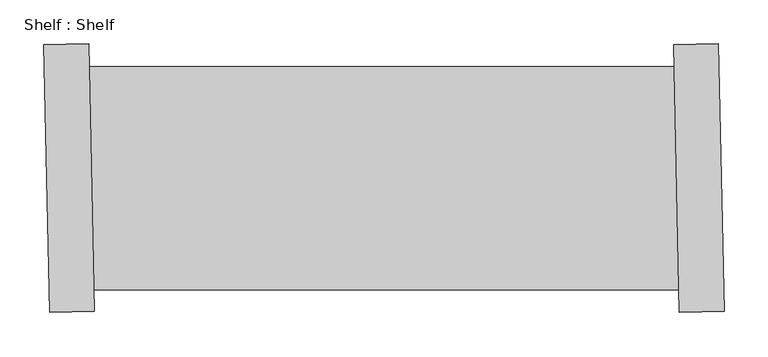
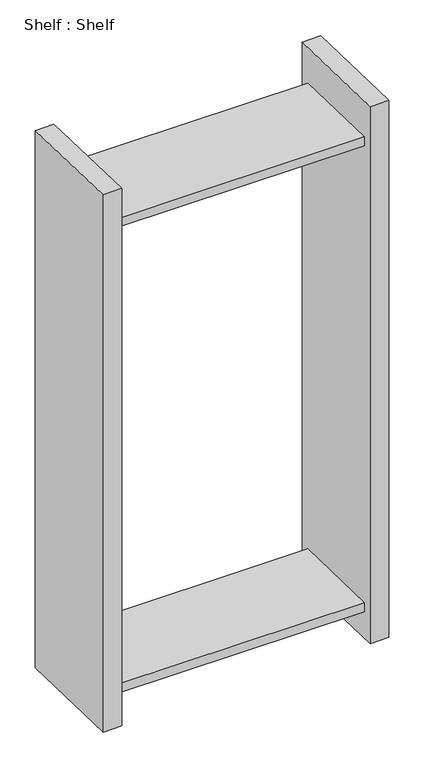
"""IFC4 building model written with IfcOpenShell, lengths in millimetres: proxy geometry, Shelf : Shelf."""

from ifc_helpers import new_model, si_unit, origin, place, context, project, spatial, faceted_brep, source, transform, mapped, element, save


def shelf_shelf_d9f1563c(model_context):
    return source(origin(), model_context, "Body", "Brep", [
        faceted_brep([(-424.0313397, 126.9695083, 1422.4), (-424.0313397, 126.9695083, 1397.0), (-1089.315938, 126.9695083, 1397.0), (-1089.315938, 126.9695083, 1422.4), (-418.4657458, -126.9695083, 1397.0), (-1083.7503441, -126.9695083, 1397.0), (-418.4657458, -126.9695083, 1422.4), (-1083.7503441, -126.9695083, 1422.4), (-373.7878976, 152.9199694, 0.0), (-367.1091849, -151.8068506, 0.0), (-417.8969882, -152.9199694, 0.0), (-424.5757009, 151.8068506, 0.0), (-367.1091849, -151.8068506, 1524.0), (-417.8969882, -152.9199694, 1524.0), (-373.7878976, 152.9199694, 1524.0), (-424.5757009, 151.8068506, 1524.0), (-418.4657458, -126.9695083, 76.2), (-424.0313397, 126.9695083, 76.2), (-424.0313397, 126.9695083, 101.6), (-418.4657458, -126.9695083, 101.6), (-1083.7503441, -126.9695083, 76.2), (-1089.315938, 126.9695083, 76.2), (-1083.7503441, -126.9695083, 101.6), (-1089.315938, 126.9695083, 101.6), (-1133.9937862, -152.9199694, 0.0), (-1140.6724988, 151.8068506, 0.0), (-1089.8846955, 152.9199694, 0.0), (-1083.2059828, -151.8068506, 0.0), (-1083.2059828, -151.8068506, 1524.0), (-1133.9937862, -152.9199694, 1524.0), (-1089.8846955, 152.9199694, 1524.0), (-1140.6724988, 151.8068506, 1524.0)], [[[0, 1, 2, 3]], [[1, 4, 5, 2]], [[4, 6, 7, 5]], [[6, 0, 3, 7]], [[8, 9, 10, 11]], [[10, 9, 12, 13]], [[13, 12, 14, 15]], [[8, 11, 15, 14]], [[11, 10, 13, 15], [1, 0, 6, 4], [16, 17, 18, 19]], [[9, 8, 14, 12]], [[17, 16, 20, 21]], [[16, 19, 22, 20]], [[19, 18, 23, 22]], [[18, 17, 21, 23]], [[24, 25, 26, 27]], [[24, 27, 28, 29]], [[29, 28, 30, 31]], [[26, 25, 31, 30]], [[27, 26, 30, 28], [3, 2, 5, 7], [21, 20, 22, 23]], [[25, 24, 29, 31]]]),
    ])


if __name__ == "__main__":
    model = new_model("IFC4")
    model_context = context("Model", 3, world=origin())
    ifc_project = project(units=[si_unit("LENGTHUNIT", "METRE", prefix="MILLI")], contexts=[model_context])
    site = spatial("IfcSite", under=ifc_project)
    building = spatial("IfcBuilding", under=site)
    placement = place(None, origin())
    shelf_shelf_shape = shelf_shelf_d9f1563c(model_context)
    element("IfcBuildingElementProxy", 1, Name="Shelf : Shelf", ObjectType="Shelf : Shelf", at=placement, inside=building, context=model_context, shape_type="MappedRepresentation", body=[
        mapped(shelf_shelf_shape, transform((0.0, 0.0, 0.0), x_axis=(1.0, 0.0, 0.0), y_axis=(0.0, 1.0, 0.0), z_axis=(0.0, 0.0, 1.0))),
    ])
    save(model, "model.ifc")
